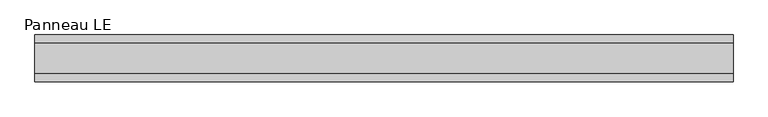
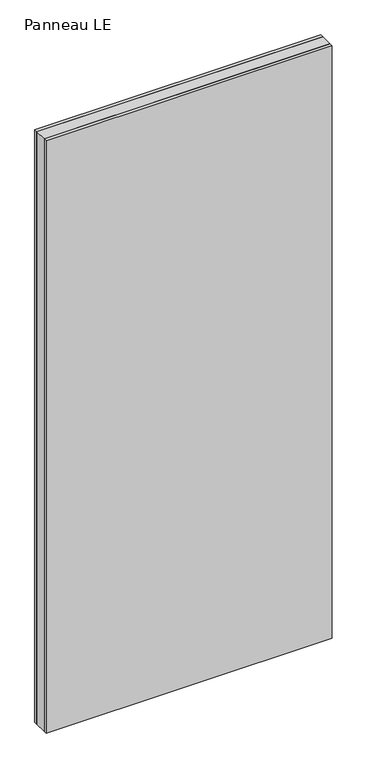
"""IFC4 building model written with IfcOpenShell, lengths in millimetres: plate geometry, Panneau LE."""

from ifc_helpers import new_model, si_unit, origin, origin_with_axes, place, context, project, spatial, polyline, outline, extrude, source, transform, mapped, element, save


def panneau_le_f0e4ff38(model_context):
    return source(origin(), model_context, "Body", "SweptSolid", [
        extrude(outline(polyline([(670.6666666, 29.0), (670.6666666, -29.0), (-670.6666666, -29.0), (-670.6666666, 29.0), (670.6666666, 29.0)])), origin_with_axes(), (0.0, 0.0, 1.0), 2933.0),
        extrude(outline(polyline([(670.6666666, 45.0), (670.6666666, 29.0), (-670.6666666, 29.0), (-670.6666666, 45.0), (670.6666666, 45.0)])), origin_with_axes(), (0.0, 0.0, 1.0), 2933.0),
        extrude(outline(polyline([(-670.6666666, -45.0), (-670.6666666, -29.0), (670.6666666, -29.0), (670.6666666, -45.0), (-670.6666666, -45.0)])), origin_with_axes(), (0.0, 0.0, 1.0), 2933.0),
    ])


if __name__ == "__main__":
    model = new_model("IFC4")
    model_context = context("Model", 3, world=origin())
    ifc_project = project(units=[si_unit("LENGTHUNIT", "METRE", prefix="MILLI")], contexts=[model_context])
    site = spatial("IfcSite", under=ifc_project)
    building = spatial("IfcBuilding", under=site)
    placement = place(None, origin())
    panneau_le_shape = panneau_le_f0e4ff38(model_context)
    element("IfcPlate", 1, ObjectType="Panneau LE", at=placement, inside=building, context=model_context, shape_type="MappedRepresentation", body=[
        mapped(panneau_le_shape, transform((0.0, 0.0, 0.0), x_axis=(1.0, 0.0, 0.0), y_axis=(0.0, 1.0, 0.0), z_axis=(0.0, 0.0, 1.0))),
    ])
    save(model, "model.ifc")
